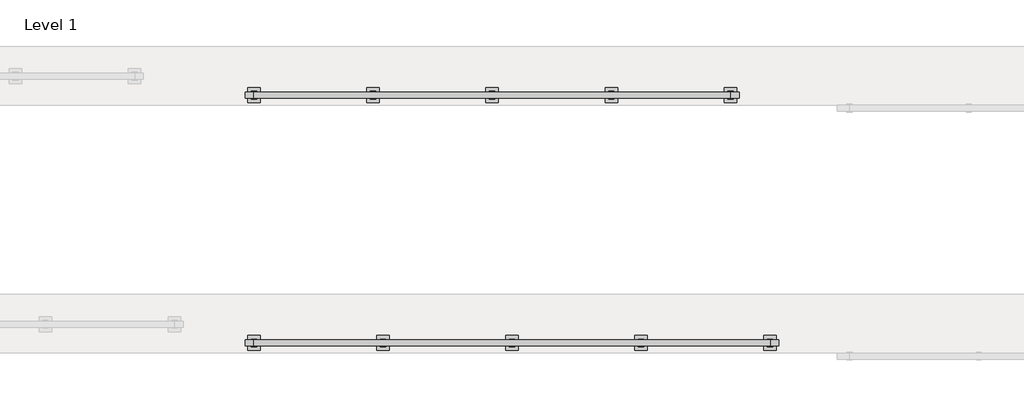
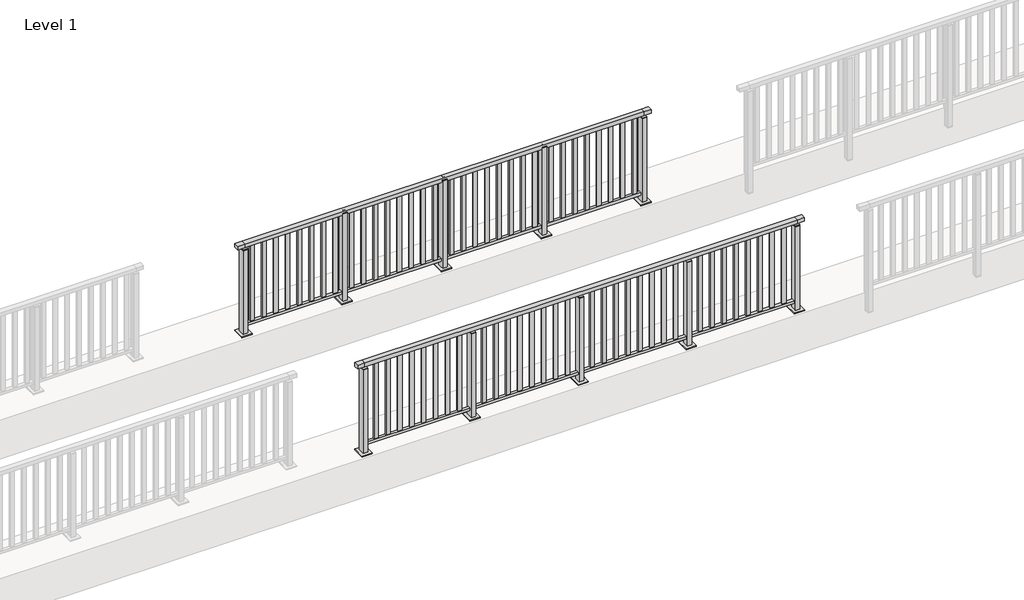
# One storey, part 27 of 38: 2 railings.
"""IFC4 building model written with IfcOpenShell, lengths in millimetres."""

import ifcopenshell
import ifcopenshell.guid

model = None  # the IFC model being written
_history = None  # IfcOwnerHistory: only IFC2X3 demands one
_inside = {}  # id of a spatial element -> (the spatial element, [elements in it])
_under = {}  # id of a project, library or spatial element -> (it, [spatial elements below it])
_declared = {}  # id of a project -> (the project, [libraries it declares])
_typed = {}  # id of a type object -> (the type object, [elements of that type])
_made_of = {}  # id of a material, layer set ... -> (it, [elements and type objects made of it])


def new_model(schema):
    """Start an empty IFC model of exactly this schema.

    Asked for "IFC4X3", IfcOpenShell would pick the latest addendum, in which some entities
    have other attributes; the version numbers below select the first issue.
    IFC2X3 requires an IfcOwnerHistory on every rooted entity: one is made here for all.
    """
    global model, _history
    if schema == "IFC4X3":
        model = ifcopenshell.file(schema_version=(4, 3, 0, 0))
    else:
        model = ifcopenshell.file(schema=schema)
    _inside.clear()
    _under.clear()
    _declared.clear()
    _typed.clear()
    _made_of.clear()
    _history = None
    if model.schema == "IFC2X3":
        org = make("IfcOrganization", Name="unknown")
        user = make(
            "IfcPersonAndOrganization",
            ThePerson=make("IfcPerson", FamilyName="unknown"),
            TheOrganization=org,
        )
        app = make(
            "IfcApplication",
            ApplicationDeveloper=org,
            Version="unknown",
            ApplicationFullName="unknown",
            ApplicationIdentifier="unknown",
        )
        _history = make(
            "IfcOwnerHistory",
            OwningUser=user,
            OwningApplication=app,
            ChangeAction="ADDED",
            CreationDate=0,
        )
    return model


def make(cls, **values):
    """One entity of the class cls with the attributes given. An attribute that is None is left unset."""
    return model.create_entity(
        cls, **{name: value for name, value in values.items() if value is not None}
    )


def rooted(cls, **values):
    """An entity with a GlobalId (a new one), such as an element, a storey or a relation."""
    return make(cls, GlobalId=ifcopenshell.guid.new(), OwnerHistory=_history, **values)


def si_unit(unit_type, name, prefix=None):
    """IfcSIUnit, for example si_unit("LENGTHUNIT", "METRE", prefix="MILLI")."""
    return make("IfcSIUnit", UnitType=unit_type, Prefix=prefix, Name=name)


def assignment(units):
    """IfcUnitAssignment: the units of a project."""
    return None if units is None else make("IfcUnitAssignment", Units=units)


def point(xyz):
    """IfcCartesianPoint."""
    return None if xyz is None else make("IfcCartesianPoint", Coordinates=xyz)


def direction(xyz):
    """IfcDirection."""
    return None if xyz is None else make("IfcDirection", DirectionRatios=xyz)


def frame(location, z_axis=None, x_axis=None):
    """IfcAxis2Placement3D, a coordinate frame: its origin and axes. An axis left out is left unset."""
    return make(
        "IfcAxis2Placement3D",
        Location=point(location),
        Axis=direction(z_axis),
        RefDirection=direction(x_axis),
    )


def origin():
    """The frame at (0, 0, 0) with its axes left unset."""
    return frame((0.0, 0.0, 0.0))


def origin_with_axes():
    """The frame at (0, 0, 0) with the z axis (0, 0, 1) and the x axis (1, 0, 0) written out."""
    return frame((0.0, 0.0, 0.0), z_axis=(0.0, 0.0, 1.0), x_axis=(1.0, 0.0, 0.0))


def place(relative_to, where):
    """IfcLocalPlacement: puts the frame where relative to a parent placement (None: the world)."""
    return make(
        "IfcLocalPlacement", PlacementRelTo=relative_to, RelativePlacement=where
    )


def context(
    kind, dimensions, precision=None, world=None, true_north=None, identifier=None
):
    """IfcGeometricRepresentationContext, for example the 3D "Model" context."""
    return make(
        "IfcGeometricRepresentationContext",
        ContextIdentifier=identifier,
        ContextType=kind,
        CoordinateSpaceDimension=dimensions,
        Precision=precision,
        WorldCoordinateSystem=world,
        TrueNorth=true_north,
    )


def project(units=None, contexts=None):
    """IfcProject with its units and contexts."""
    return rooted(
        "IfcProject",
        Name="project",
        RepresentationContexts=contexts,
        UnitsInContext=assignment(units),
    )


def spatial(cls, under=None, at=None, **own):
    """A site, building, storey or space (cls), placed at a placement, below another one or the project."""
    s = rooted(cls, ObjectPlacement=at, **own)
    if under is not None:
        _under.setdefault(under.id(), (under, []))[1].append(s)
    return s


def polyline(points):
    """IfcPolyline through the points."""
    return make("IfcPolyline", Points=[point(p) for p in points])


def outline(outer, holes=None, kind="AREA"):
    """IfcArbitraryClosedProfileDef: a profile drawn as a closed curve; with holes, ...WithVoids."""
    if holes is None:
        return make("IfcArbitraryClosedProfileDef", ProfileType=kind, OuterCurve=outer)
    return make(
        "IfcArbitraryProfileDefWithVoids",
        ProfileType=kind,
        OuterCurve=outer,
        InnerCurves=holes,
    )


def extrude(swept, where, along, depth):
    """IfcExtrudedAreaSolid: the profile swept, set in the frame where, extruded along a direction by depth."""
    return make(
        "IfcExtrudedAreaSolid",
        SweptArea=swept,
        Position=where,
        ExtrudedDirection=direction(along),
        Depth=depth,
    )


def faces_of(points, faces, orient=None, outer=None):
    """IfcFace entities. A face is a list of loops; a loop is a list of indices into points, from 0.

    orient and outer hold one flag for each loop. By default every Orientation is true, the
    first loop of a face is its IfcFaceOuterBound and the others are IfcFaceBound.
    """
    made = []
    for i, loops in enumerate(faces):
        bounds = []
        for j, loop in enumerate(loops):
            is_outer = j == 0 if outer is None else outer[i][j]
            bounds.append(
                make(
                    "IfcFaceOuterBound" if is_outer else "IfcFaceBound",
                    Bound=make("IfcPolyLoop", Polygon=[points[k] for k in loop]),
                    Orientation=True if orient is None else orient[i][j],
                )
            )
        made.append(make("IfcFace", Bounds=bounds))
    return made


def faceted_brep(points, faces, orient=None, outer=None, voids=None):
    """IfcFacetedBrep: a solid bounded by flat faces; with voids (closed shells), ...WithVoids."""
    shared = [point(p) for p in points]
    hull = make("IfcClosedShell", CfsFaces=faces_of(shared, faces, orient, outer))
    if voids is None:
        return make("IfcFacetedBrep", Outer=hull)
    return make(
        "IfcFacetedBrepWithVoids",
        Outer=hull,
        Voids=[
            make(cls, CfsFaces=faces_of(shared, fs, o, b)) for cls, fs, o, b in voids
        ],
    )


def shape(context_of_items, identifier, shape_type, items):
    """IfcShapeRepresentation: the items that make up one representation, for example the "Body"."""
    return make(
        "IfcShapeRepresentation",
        ContextOfItems=context_of_items,
        RepresentationIdentifier=identifier,
        RepresentationType=shape_type,
        Items=items,
    )


def made_of(thing, what):
    """Note that an element or type object is made of a material, layer set ...; save() writes the relation."""
    if what is not None:
        _made_of.setdefault(what.id(), (what, []))[1].append(thing)
    return thing


def element(
    cls,
    number,
    at=None,
    inside=None,
    cuts=None,
    type_object=None,
    material=None,
    context=None,
    identifier="Body",
    shape_type=None,
    held_by="IfcProductDefinitionShape",
    body=None,
    shapes=None,
    **own,
):
    """One element of the class cls, such as IfcWall. Its Tag is "e" and its number.

    at: its placement. inside: the storey or other place that contains it. cuts: it is an
    opening in that element (IfcRelVoidsElement). A single representation is given by context,
    identifier, shape_type and body (its items); several are given by shapes. held_by: the class
    of the entity that holds the representations. save() writes the other relations.
    """
    e = rooted(cls, Tag="e%d" % number, ObjectPlacement=at, **own)
    if body is not None:
        shapes = [shape(context, identifier, shape_type, body)]
    if shapes is not None:
        e.Representation = make(held_by, Representations=shapes)
    if inside is not None:
        _inside.setdefault(inside.id(), (inside, []))[1].append(e)
    if cuts is not None:
        rooted(
            "IfcRelVoidsElement", RelatingBuildingElement=cuts, RelatedOpeningElement=e
        )
    if type_object is not None:
        _typed.setdefault(type_object.id(), (type_object, []))[1].append(e)
    return made_of(e, material)


def aggregate(whole, parts):
    """IfcRelAggregates: a whole, such as a stair, and the parts it consists of."""
    return rooted("IfcRelAggregates", RelatingObject=whole, RelatedObjects=parts)


def save(model, path):
    """Write the relations noted so far, then the file.

    IfcRelAggregates (storeys below a building ...), IfcRelContainedInSpatialStructure (elements
    in a storey), IfcRelDefinesByType, IfcRelAssociatesMaterial and IfcRelDeclares: one each for
    every whole, place, type object, material and project.
    """
    for whole, parts in _under.values():
        aggregate(whole, parts)
    for where, things in _inside.values():
        rooted(
            "IfcRelContainedInSpatialStructure",
            RelatedElements=things,
            RelatingStructure=where,
        )
    for kind, things in _typed.values():
        rooted("IfcRelDefinesByType", RelatedObjects=things, RelatingType=kind)
    for what, things in _made_of.values():
        rooted("IfcRelAssociatesMaterial", RelatedObjects=things, RelatingMaterial=what)
    for by, libraries in _declared.values():
        rooted("IfcRelDeclares", RelatingContext=by, RelatedDefinitions=libraries)
    model.write(path)


model = new_model("IFC4")

# Units and contexts
model_context = context("Model", 3, world=origin())
ifc_project = project(units=[si_unit("LENGTHUNIT", "METRE", prefix="MILLI")], contexts=[model_context])

# Site, building, storey
site = spatial("IfcSite", under=ifc_project)
building = spatial("IfcBuilding", under=site)
storey = spatial("IfcBuildingStorey", under=building, Name="Level 1", Elevation=0.0)

# Railings
placement = place(None, origin())
element("IfcRailing", 1, at=placement, inside=storey, context=model_context, shape_type="SolidModel", body=[
    faceted_brep([(6000.0, 45030.1846828, 1102.5), (6000.0, 45030.1846828, 1150.0), (11200.0, 45030.1846828, 1150.0), (11200.0, 45030.1846828, 1102.5), (6000.0, 44970.1846828, 1102.5), (11200.0, 44970.1846828, 1102.5), (6000.0, 44970.1846828, 1150.0), (11200.0, 44970.1846828, 1150.0), (5912.5, 45030.1846828, 1150.0), (5912.5, 45030.1846828, 1102.5), (5912.5, 44970.1846828, 1102.5), (5912.5, 44970.1846828, 1150.0), (11287.5, 45030.1846828, 1150.0), (11287.5, 44970.1846828, 1150.0), (11287.5, 44970.1846828, 1102.5), (11287.5, 45030.1846828, 1102.5)], [[[0, 1, 2, 3]], [[4, 0, 3, 5]], [[6, 4, 5, 7]], [[1, 6, 7, 2]], [[8, 9, 10, 11]], [[9, 8, 1, 0]], [[10, 9, 0, 4]], [[11, 10, 4, 6]], [[8, 11, 6, 1]], [[12, 13, 14, 15]], [[3, 2, 12, 15]], [[5, 3, 15, 14]], [[7, 5, 14, 13]], [[2, 7, 13, 12]]]),
    extrude(outline(polyline([(6000.0, 44982.1846828), (6000.0, 45018.1846828), (11200.0, 45018.1846828), (11200.0, 44982.1846828), (6000.0, 44982.1846828)])), frame((0.0, 0.0, 93.0), z_axis=(0.0, 0.0, 1.0), x_axis=(1.0, 0.0, 0.0)), (0.0, 0.0, 1.0), 32.0),
    extrude(outline(polyline([(11078.5106952, 45008.6846828), (11078.5106952, 44991.6846828), (11029.5106952, 44991.6846828), (11029.5106952, 45008.6846828), (11078.5106952, 45008.6846828)])), frame((0.0, 0.0, 125.0), z_axis=(0.0, 0.0, 1.0), x_axis=(1.0, 0.0, 0.0)), (0.0, 0.0, 1.0), 980.0),
    extrude(outline(polyline([(10934.5076394, 45008.6846828), (10934.5076394, 44991.6846828), (10885.5076394, 44991.6846828), (10885.5076394, 45008.6846828), (10934.5076394, 45008.6846828)])), frame((0.0, 0.0, 125.0), z_axis=(0.0, 0.0, 1.0), x_axis=(1.0, 0.0, 0.0)), (0.0, 0.0, 1.0), 980.0),
    extrude(outline(polyline([(10790.5045837, 45008.6846828), (10790.5045837, 44991.6846828), (10741.5045837, 44991.6846828), (10741.5045837, 45008.6846828), (10790.5045837, 45008.6846828)])), frame((0.0, 0.0, 125.0), z_axis=(0.0, 0.0, 1.0), x_axis=(1.0, 0.0, 0.0)), (0.0, 0.0, 1.0), 980.0),
    extrude(outline(polyline([(10646.5015279, 45008.6846828), (10646.5015279, 44991.6846828), (10597.5015279, 44991.6846828), (10597.5015279, 45008.6846828), (10646.5015279, 45008.6846828)])), frame((0.0, 0.0, 125.0), z_axis=(0.0, 0.0, 1.0), x_axis=(1.0, 0.0, 0.0)), (0.0, 0.0, 1.0), 980.0),
    extrude(outline(polyline([(10502.4984721, 45008.6846828), (10502.4984721, 44991.6846828), (10453.4984721, 44991.6846828), (10453.4984721, 45008.6846828), (10502.4984721, 45008.6846828)])), frame((0.0, 0.0, 125.0), z_axis=(0.0, 0.0, 1.0), x_axis=(1.0, 0.0, 0.0)), (0.0, 0.0, 1.0), 980.0),
    extrude(outline(polyline([(10358.4954163, 45008.6846828), (10358.4954163, 44991.6846828), (10309.4954163, 44991.6846828), (10309.4954163, 45008.6846828), (10358.4954163, 45008.6846828)])), frame((0.0, 0.0, 125.0), z_axis=(0.0, 0.0, 1.0), x_axis=(1.0, 0.0, 0.0)), (0.0, 0.0, 1.0), 980.0),
    extrude(outline(polyline([(10214.4923606, 45008.6846828), (10214.4923606, 44991.6846828), (10165.4923606, 44991.6846828), (10165.4923606, 45008.6846828), (10214.4923606, 45008.6846828)])), frame((0.0, 0.0, 125.0), z_axis=(0.0, 0.0, 1.0), x_axis=(1.0, 0.0, 0.0)), (0.0, 0.0, 1.0), 980.0),
    extrude(outline(polyline([(10070.4893048, 45008.6846828), (10070.4893048, 44991.6846828), (10021.4893048, 44991.6846828), (10021.4893048, 45008.6846828), (10070.4893048, 45008.6846828)])), frame((0.0, 0.0, 125.0), z_axis=(0.0, 0.0, 1.0), x_axis=(1.0, 0.0, 0.0)), (0.0, 0.0, 1.0), 980.0),
    extrude(outline(polyline([(9910.0, 44990.1846828), (9890.0, 44990.1846828), (9890.0, 45010.1846828), (9910.0, 45010.1846828), (9910.0, 44990.1846828)])), frame((0.0, 0.0, 1085.0), z_axis=(0.0, 0.0, 1.0), x_axis=(1.0, 0.0, 0.0)), (0.0, 0.0, 1.0), 20.0),
    extrude(outline(polyline([(9927.0, 44961.1846828), (9873.0, 44961.1846828), (9873.0, 45039.1846828), (9927.0, 45039.1846828), (9927.0, 44961.1846828)])), frame((0.0, 0.0, 1077.0), z_axis=(0.0, 0.0, 1.0), x_axis=(1.0, 0.0, 0.0)), (0.0, 0.0, 1.0), 8.0),
    extrude(outline(polyline([(9962.5, 44925.1846828), (9837.5, 44925.1846828), (9837.5, 45075.1846828), (9962.5, 45075.1846828), (9962.5, 44925.1846828)])), origin_with_axes(), (0.0, 0.0, 1.0), 12.0),
    extrude(outline(polyline([(9927.0, 44961.1846828), (9873.0, 44961.1846828), (9873.0, 45039.1846828), (9927.0, 45039.1846828), (9927.0, 44961.1846828)])), frame((0.0, 0.0, 12.0), z_axis=(0.0, 0.0, 1.0), x_axis=(1.0, 0.0, 0.0)), (0.0, 0.0, 1.0), 1065.0),
    extrude(outline(polyline([(9778.5106952, 45008.6846828), (9778.5106952, 44991.6846828), (9729.5106952, 44991.6846828), (9729.5106952, 45008.6846828), (9778.5106952, 45008.6846828)])), frame((0.0, 0.0, 125.0), z_axis=(0.0, 0.0, 1.0), x_axis=(1.0, 0.0, 0.0)), (0.0, 0.0, 1.0), 980.0),
    extrude(outline(polyline([(9634.5076394, 45008.6846828), (9634.5076394, 44991.6846828), (9585.5076394, 44991.6846828), (9585.5076394, 45008.6846828), (9634.5076394, 45008.6846828)])), frame((0.0, 0.0, 125.0), z_axis=(0.0, 0.0, 1.0), x_axis=(1.0, 0.0, 0.0)), (0.0, 0.0, 1.0), 980.0),
    extrude(outline(polyline([(9490.5045837, 45008.6846828), (9490.5045837, 44991.6846828), (9441.5045837, 44991.6846828), (9441.5045837, 45008.6846828), (9490.5045837, 45008.6846828)])), frame((0.0, 0.0, 125.0), z_axis=(0.0, 0.0, 1.0), x_axis=(1.0, 0.0, 0.0)), (0.0, 0.0, 1.0), 980.0),
    extrude(outline(polyline([(9346.5015279, 45008.6846828), (9346.5015279, 44991.6846828), (9297.5015279, 44991.6846828), (9297.5015279, 45008.6846828), (9346.5015279, 45008.6846828)])), frame((0.0, 0.0, 125.0), z_axis=(0.0, 0.0, 1.0), x_axis=(1.0, 0.0, 0.0)), (0.0, 0.0, 1.0), 980.0),
    extrude(outline(polyline([(9202.4984721, 45008.6846828), (9202.4984721, 44991.6846828), (9153.4984721, 44991.6846828), (9153.4984721, 45008.6846828), (9202.4984721, 45008.6846828)])), frame((0.0, 0.0, 125.0), z_axis=(0.0, 0.0, 1.0), x_axis=(1.0, 0.0, 0.0)), (0.0, 0.0, 1.0), 980.0),
    extrude(outline(polyline([(9058.4954163, 45008.6846828), (9058.4954163, 44991.6846828), (9009.4954163, 44991.6846828), (9009.4954163, 45008.6846828), (9058.4954163, 45008.6846828)])), frame((0.0, 0.0, 125.0), z_axis=(0.0, 0.0, 1.0), x_axis=(1.0, 0.0, 0.0)), (0.0, 0.0, 1.0), 980.0),
    extrude(outline(polyline([(8914.4923606, 45008.6846828), (8914.4923606, 44991.6846828), (8865.4923606, 44991.6846828), (8865.4923606, 45008.6846828), (8914.4923606, 45008.6846828)])), frame((0.0, 0.0, 125.0), z_axis=(0.0, 0.0, 1.0), x_axis=(1.0, 0.0, 0.0)), (0.0, 0.0, 1.0), 980.0),
    extrude(outline(polyline([(8770.4893048, 45008.6846828), (8770.4893048, 44991.6846828), (8721.4893048, 44991.6846828), (8721.4893048, 45008.6846828), (8770.4893048, 45008.6846828)])), frame((0.0, 0.0, 125.0), z_axis=(0.0, 0.0, 1.0), x_axis=(1.0, 0.0, 0.0)), (0.0, 0.0, 1.0), 980.0),
    extrude(outline(polyline([(8610.0, 44990.1846828), (8590.0, 44990.1846828), (8590.0, 45010.1846828), (8610.0, 45010.1846828), (8610.0, 44990.1846828)])), frame((0.0, 0.0, 1085.0), z_axis=(0.0, 0.0, 1.0), x_axis=(1.0, 0.0, 0.0)), (0.0, 0.0, 1.0), 20.0),
    extrude(outline(polyline([(8627.0, 44961.1846828), (8573.0, 44961.1846828), (8573.0, 45039.1846828), (8627.0, 45039.1846828), (8627.0, 44961.1846828)])), frame((0.0, 0.0, 1077.0), z_axis=(0.0, 0.0, 1.0), x_axis=(1.0, 0.0, 0.0)), (0.0, 0.0, 1.0), 8.0),
    extrude(outline(polyline([(8662.5, 44925.1846828), (8537.5, 44925.1846828), (8537.5, 45075.1846828), (8662.5, 45075.1846828), (8662.5, 44925.1846828)])), origin_with_axes(), (0.0, 0.0, 1.0), 12.0),
    extrude(outline(polyline([(8627.0, 44961.1846828), (8573.0, 44961.1846828), (8573.0, 45039.1846828), (8627.0, 45039.1846828), (8627.0, 44961.1846828)])), frame((0.0, 0.0, 12.0), z_axis=(0.0, 0.0, 1.0), x_axis=(1.0, 0.0, 0.0)), (0.0, 0.0, 1.0), 1065.0),
    extrude(outline(polyline([(8478.5106952, 45008.6846828), (8478.5106952, 44991.6846828), (8429.5106952, 44991.6846828), (8429.5106952, 45008.6846828), (8478.5106952, 45008.6846828)])), frame((0.0, 0.0, 125.0), z_axis=(0.0, 0.0, 1.0), x_axis=(1.0, 0.0, 0.0)), (0.0, 0.0, 1.0), 980.0),
    extrude(outline(polyline([(8334.5076394, 45008.6846828), (8334.5076394, 44991.6846828), (8285.5076394, 44991.6846828), (8285.5076394, 45008.6846828), (8334.5076394, 45008.6846828)])), frame((0.0, 0.0, 125.0), z_axis=(0.0, 0.0, 1.0), x_axis=(1.0, 0.0, 0.0)), (0.0, 0.0, 1.0), 980.0),
    extrude(outline(polyline([(8190.5045837, 45008.6846828), (8190.5045837, 44991.6846828), (8141.5045837, 44991.6846828), (8141.5045837, 45008.6846828), (8190.5045837, 45008.6846828)])), frame((0.0, 0.0, 125.0), z_axis=(0.0, 0.0, 1.0), x_axis=(1.0, 0.0, 0.0)), (0.0, 0.0, 1.0), 980.0),
    extrude(outline(polyline([(8046.5015279, 45008.6846828), (8046.5015279, 44991.6846828), (7997.5015279, 44991.6846828), (7997.5015279, 45008.6846828), (8046.5015279, 45008.6846828)])), frame((0.0, 0.0, 125.0), z_axis=(0.0, 0.0, 1.0), x_axis=(1.0, 0.0, 0.0)), (0.0, 0.0, 1.0), 980.0),
    extrude(outline(polyline([(7902.4984721, 45008.6846828), (7902.4984721, 44991.6846828), (7853.4984721, 44991.6846828), (7853.4984721, 45008.6846828), (7902.4984721, 45008.6846828)])), frame((0.0, 0.0, 125.0), z_axis=(0.0, 0.0, 1.0), x_axis=(1.0, 0.0, 0.0)), (0.0, 0.0, 1.0), 980.0),
    extrude(outline(polyline([(7758.4954163, 45008.6846828), (7758.4954163, 44991.6846828), (7709.4954163, 44991.6846828), (7709.4954163, 45008.6846828), (7758.4954163, 45008.6846828)])), frame((0.0, 0.0, 125.0), z_axis=(0.0, 0.0, 1.0), x_axis=(1.0, 0.0, 0.0)), (0.0, 0.0, 1.0), 980.0),
    extrude(outline(polyline([(7614.4923606, 45008.6846828), (7614.4923606, 44991.6846828), (7565.4923606, 44991.6846828), (7565.4923606, 45008.6846828), (7614.4923606, 45008.6846828)])), frame((0.0, 0.0, 125.0), z_axis=(0.0, 0.0, 1.0), x_axis=(1.0, 0.0, 0.0)), (0.0, 0.0, 1.0), 980.0),
    extrude(outline(polyline([(7470.4893048, 45008.6846828), (7470.4893048, 44991.6846828), (7421.4893048, 44991.6846828), (7421.4893048, 45008.6846828), (7470.4893048, 45008.6846828)])), frame((0.0, 0.0, 125.0), z_axis=(0.0, 0.0, 1.0), x_axis=(1.0, 0.0, 0.0)), (0.0, 0.0, 1.0), 980.0),
    extrude(outline(polyline([(7310.0, 44990.1846828), (7290.0, 44990.1846828), (7290.0, 45010.1846828), (7310.0, 45010.1846828), (7310.0, 44990.1846828)])), frame((0.0, 0.0, 1085.0), z_axis=(0.0, 0.0, 1.0), x_axis=(1.0, 0.0, 0.0)), (0.0, 0.0, 1.0), 20.0),
    extrude(outline(polyline([(7327.0, 44961.1846828), (7273.0, 44961.1846828), (7273.0, 45039.1846828), (7327.0, 45039.1846828), (7327.0, 44961.1846828)])), frame((0.0, 0.0, 1077.0), z_axis=(0.0, 0.0, 1.0), x_axis=(1.0, 0.0, 0.0)), (0.0, 0.0, 1.0), 8.0),
    extrude(outline(polyline([(7362.5, 44925.1846828), (7237.5, 44925.1846828), (7237.5, 45075.1846828), (7362.5, 45075.1846828), (7362.5, 44925.1846828)])), origin_with_axes(), (0.0, 0.0, 1.0), 12.0),
    extrude(outline(polyline([(7327.0, 44961.1846828), (7273.0, 44961.1846828), (7273.0, 45039.1846828), (7327.0, 45039.1846828), (7327.0, 44961.1846828)])), frame((0.0, 0.0, 12.0), z_axis=(0.0, 0.0, 1.0), x_axis=(1.0, 0.0, 0.0)), (0.0, 0.0, 1.0), 1065.0),
    extrude(outline(polyline([(7178.5106952, 45008.6846828), (7178.5106952, 44991.6846828), (7129.5106952, 44991.6846828), (7129.5106952, 45008.6846828), (7178.5106952, 45008.6846828)])), frame((0.0, 0.0, 125.0), z_axis=(0.0, 0.0, 1.0), x_axis=(1.0, 0.0, 0.0)), (0.0, 0.0, 1.0), 980.0),
    extrude(outline(polyline([(7034.5076394, 45008.6846828), (7034.5076394, 44991.6846828), (6985.5076394, 44991.6846828), (6985.5076394, 45008.6846828), (7034.5076394, 45008.6846828)])), frame((0.0, 0.0, 125.0), z_axis=(0.0, 0.0, 1.0), x_axis=(1.0, 0.0, 0.0)), (0.0, 0.0, 1.0), 980.0),
    extrude(outline(polyline([(6890.5045837, 45008.6846828), (6890.5045837, 44991.6846828), (6841.5045837, 44991.6846828), (6841.5045837, 45008.6846828), (6890.5045837, 45008.6846828)])), frame((0.0, 0.0, 125.0), z_axis=(0.0, 0.0, 1.0), x_axis=(1.0, 0.0, 0.0)), (0.0, 0.0, 1.0), 980.0),
    extrude(outline(polyline([(6746.5015279, 45008.6846828), (6746.5015279, 44991.6846828), (6697.5015279, 44991.6846828), (6697.5015279, 45008.6846828), (6746.5015279, 45008.6846828)])), frame((0.0, 0.0, 125.0), z_axis=(0.0, 0.0, 1.0), x_axis=(1.0, 0.0, 0.0)), (0.0, 0.0, 1.0), 980.0),
    extrude(outline(polyline([(6602.4984721, 45008.6846828), (6602.4984721, 44991.6846828), (6553.4984721, 44991.6846828), (6553.4984721, 45008.6846828), (6602.4984721, 45008.6846828)])), frame((0.0, 0.0, 125.0), z_axis=(0.0, 0.0, 1.0), x_axis=(1.0, 0.0, 0.0)), (0.0, 0.0, 1.0), 980.0),
    extrude(outline(polyline([(6458.4954163, 45008.6846828), (6458.4954163, 44991.6846828), (6409.4954163, 44991.6846828), (6409.4954163, 45008.6846828), (6458.4954163, 45008.6846828)])), frame((0.0, 0.0, 125.0), z_axis=(0.0, 0.0, 1.0), x_axis=(1.0, 0.0, 0.0)), (0.0, 0.0, 1.0), 980.0),
    extrude(outline(polyline([(6314.4923606, 45008.6846828), (6314.4923606, 44991.6846828), (6265.4923606, 44991.6846828), (6265.4923606, 45008.6846828), (6314.4923606, 45008.6846828)])), frame((0.0, 0.0, 125.0), z_axis=(0.0, 0.0, 1.0), x_axis=(1.0, 0.0, 0.0)), (0.0, 0.0, 1.0), 980.0),
    extrude(outline(polyline([(6170.4893048, 45008.6846828), (6170.4893048, 44991.6846828), (6121.4893048, 44991.6846828), (6121.4893048, 45008.6846828), (6170.4893048, 45008.6846828)])), frame((0.0, 0.0, 125.0), z_axis=(0.0, 0.0, 1.0), x_axis=(1.0, 0.0, 0.0)), (0.0, 0.0, 1.0), 980.0),
    extrude(outline(polyline([(11210.0, 44990.1846828), (11190.0, 44990.1846828), (11190.0, 45010.1846828), (11210.0, 45010.1846828), (11210.0, 44990.1846828)])), frame((0.0, 0.0, 1085.0), z_axis=(0.0, 0.0, 1.0), x_axis=(1.0, 0.0, 0.0)), (0.0, 0.0, 1.0), 20.0),
    extrude(outline(polyline([(11227.0, 44961.1846828), (11173.0, 44961.1846828), (11173.0, 45039.1846828), (11227.0, 45039.1846828), (11227.0, 44961.1846828)])), frame((0.0, 0.0, 1077.0), z_axis=(0.0, 0.0, 1.0), x_axis=(1.0, 0.0, 0.0)), (0.0, 0.0, 1.0), 8.0),
    extrude(outline(polyline([(11262.5, 44925.1846828), (11137.5, 44925.1846828), (11137.5, 45075.1846828), (11262.5, 45075.1846828), (11262.5, 44925.1846828)])), origin_with_axes(), (0.0, 0.0, 1.0), 12.0),
    extrude(outline(polyline([(11227.0, 44961.1846828), (11173.0, 44961.1846828), (11173.0, 45039.1846828), (11227.0, 45039.1846828), (11227.0, 44961.1846828)])), frame((0.0, 0.0, 12.0), z_axis=(0.0, 0.0, 1.0), x_axis=(1.0, 0.0, 0.0)), (0.0, 0.0, 1.0), 1065.0),
    extrude(outline(polyline([(6010.0, 44990.1846828), (5990.0, 44990.1846828), (5990.0, 45010.1846828), (6010.0, 45010.1846828), (6010.0, 44990.1846828)])), frame((0.0, 0.0, 1085.0), z_axis=(0.0, 0.0, 1.0), x_axis=(1.0, 0.0, 0.0)), (0.0, 0.0, 1.0), 20.0),
    extrude(outline(polyline([(6027.0, 44961.1846828), (5973.0, 44961.1846828), (5973.0, 45039.1846828), (6027.0, 45039.1846828), (6027.0, 44961.1846828)])), frame((0.0, 0.0, 1077.0), z_axis=(0.0, 0.0, 1.0), x_axis=(1.0, 0.0, 0.0)), (0.0, 0.0, 1.0), 8.0),
    extrude(outline(polyline([(6062.5, 44925.1846828), (5937.5, 44925.1846828), (5937.5, 45075.1846828), (6062.5, 45075.1846828), (6062.5, 44925.1846828)])), origin_with_axes(), (0.0, 0.0, 1.0), 12.0),
    extrude(outline(polyline([(6027.0, 44961.1846828), (5973.0, 44961.1846828), (5973.0, 45039.1846828), (6027.0, 45039.1846828), (6027.0, 44961.1846828)])), frame((0.0, 0.0, 12.0), z_axis=(0.0, 0.0, 1.0), x_axis=(1.0, 0.0, 0.0)), (0.0, 0.0, 1.0), 1065.0),
])
element("IfcRailing", 2, at=placement, inside=storey, context=model_context, shape_type="SolidModel", body=[
    faceted_brep([(6000.0, 47530.1846828, 1102.5), (6000.0, 47530.1846828, 1150.0), (10800.0, 47530.1846828, 1150.0), (10800.0, 47530.1846828, 1102.5), (6000.0, 47470.1846828, 1102.5), (10800.0, 47470.1846828, 1102.5), (6000.0, 47470.1846828, 1150.0), (10800.0, 47470.1846828, 1150.0), (5912.5, 47530.1846828, 1150.0), (5912.5, 47530.1846828, 1102.5), (5912.5, 47470.1846828, 1102.5), (5912.5, 47470.1846828, 1150.0), (10887.5, 47530.1846828, 1150.0), (10887.5, 47470.1846828, 1150.0), (10887.5, 47470.1846828, 1102.5), (10887.5, 47530.1846828, 1102.5)], [[[0, 1, 2, 3]], [[4, 0, 3, 5]], [[6, 4, 5, 7]], [[1, 6, 7, 2]], [[8, 9, 10, 11]], [[9, 8, 1, 0]], [[10, 9, 0, 4]], [[11, 10, 4, 6]], [[8, 11, 6, 1]], [[12, 13, 14, 15]], [[3, 2, 12, 15]], [[5, 3, 15, 14]], [[7, 5, 14, 13]], [[2, 7, 13, 12]]]),
    extrude(outline(polyline([(6000.0, 47482.1846828), (6000.0, 47518.1846828), (10800.0, 47518.1846828), (10800.0, 47482.1846828), (6000.0, 47482.1846828)])), frame((0.0, 0.0, 93.0), z_axis=(0.0, 0.0, 1.0), x_axis=(1.0, 0.0, 0.0)), (0.0, 0.0, 1.0), 32.0),
    extrude(outline(polyline([(10725.7345679, 47508.6846828), (10725.7345679, 47491.6846828), (10676.7345679, 47491.6846828), (10676.7345679, 47508.6846828), (10725.7345679, 47508.6846828)])), frame((0.0, 0.0, 125.0), z_axis=(0.0, 0.0, 1.0), x_axis=(1.0, 0.0, 0.0)), (0.0, 0.0, 1.0), 980.0),
    extrude(outline(polyline([(10582.5246914, 47508.6846828), (10582.5246914, 47491.6846828), (10533.5246914, 47491.6846828), (10533.5246914, 47508.6846828), (10582.5246914, 47508.6846828)])), frame((0.0, 0.0, 125.0), z_axis=(0.0, 0.0, 1.0), x_axis=(1.0, 0.0, 0.0)), (0.0, 0.0, 1.0), 980.0),
    extrude(outline(polyline([(10439.3148148, 47508.6846828), (10439.3148148, 47491.6846828), (10390.3148148, 47491.6846828), (10390.3148148, 47508.6846828), (10439.3148148, 47508.6846828)])), frame((0.0, 0.0, 125.0), z_axis=(0.0, 0.0, 1.0), x_axis=(1.0, 0.0, 0.0)), (0.0, 0.0, 1.0), 980.0),
    extrude(outline(polyline([(10296.1049383, 47508.6846828), (10296.1049383, 47491.6846828), (10247.1049383, 47491.6846828), (10247.1049383, 47508.6846828), (10296.1049383, 47508.6846828)])), frame((0.0, 0.0, 125.0), z_axis=(0.0, 0.0, 1.0), x_axis=(1.0, 0.0, 0.0)), (0.0, 0.0, 1.0), 980.0),
    extrude(outline(polyline([(10152.8950617, 47508.6846828), (10152.8950617, 47491.6846828), (10103.8950617, 47491.6846828), (10103.8950617, 47508.6846828), (10152.8950617, 47508.6846828)])), frame((0.0, 0.0, 125.0), z_axis=(0.0, 0.0, 1.0), x_axis=(1.0, 0.0, 0.0)), (0.0, 0.0, 1.0), 980.0),
    extrude(outline(polyline([(10009.6851852, 47508.6846828), (10009.6851852, 47491.6846828), (9960.6851852, 47491.6846828), (9960.6851852, 47508.6846828), (10009.6851852, 47508.6846828)])), frame((0.0, 0.0, 125.0), z_axis=(0.0, 0.0, 1.0), x_axis=(1.0, 0.0, 0.0)), (0.0, 0.0, 1.0), 980.0),
    extrude(outline(polyline([(9866.4753086, 47508.6846828), (9866.4753086, 47491.6846828), (9817.4753086, 47491.6846828), (9817.4753086, 47508.6846828), (9866.4753086, 47508.6846828)])), frame((0.0, 0.0, 125.0), z_axis=(0.0, 0.0, 1.0), x_axis=(1.0, 0.0, 0.0)), (0.0, 0.0, 1.0), 980.0),
    extrude(outline(polyline([(9723.2654321, 47508.6846828), (9723.2654321, 47491.6846828), (9674.2654321, 47491.6846828), (9674.2654321, 47508.6846828), (9723.2654321, 47508.6846828)])), frame((0.0, 0.0, 125.0), z_axis=(0.0, 0.0, 1.0), x_axis=(1.0, 0.0, 0.0)), (0.0, 0.0, 1.0), 980.0),
    extrude(outline(polyline([(9610.0, 47490.1846828), (9590.0, 47490.1846828), (9590.0, 47510.1846828), (9610.0, 47510.1846828), (9610.0, 47490.1846828)])), frame((0.0, 0.0, 1130.0), z_axis=(0.0, 0.0, 1.0), x_axis=(1.0, 0.0, 0.0)), (0.0, 0.0, 1.0), 20.0),
    extrude(outline(polyline([(9627.0, 47461.1846828), (9573.0, 47461.1846828), (9573.0, 47539.1846828), (9627.0, 47539.1846828), (9627.0, 47461.1846828)])), frame((0.0, 0.0, 1122.0), z_axis=(0.0, 0.0, 1.0), x_axis=(1.0, 0.0, 0.0)), (0.0, 0.0, 1.0), 8.0),
    extrude(outline(polyline([(9662.5, 47425.1846828), (9537.5, 47425.1846828), (9537.5, 47575.1846828), (9662.5, 47575.1846828), (9662.5, 47425.1846828)])), origin_with_axes(), (0.0, 0.0, 1.0), 12.0),
    extrude(outline(polyline([(9627.0, 47461.1846828), (9573.0, 47461.1846828), (9573.0, 47539.1846828), (9627.0, 47539.1846828), (9627.0, 47461.1846828)])), frame((0.0, 0.0, 12.0), z_axis=(0.0, 0.0, 1.0), x_axis=(1.0, 0.0, 0.0)), (0.0, 0.0, 1.0), 1110.0),
    extrude(outline(polyline([(9525.7345679, 47508.6846828), (9525.7345679, 47491.6846828), (9476.7345679, 47491.6846828), (9476.7345679, 47508.6846828), (9525.7345679, 47508.6846828)])), frame((0.0, 0.0, 125.0), z_axis=(0.0, 0.0, 1.0), x_axis=(1.0, 0.0, 0.0)), (0.0, 0.0, 1.0), 980.0),
    extrude(outline(polyline([(9382.5246914, 47508.6846828), (9382.5246914, 47491.6846828), (9333.5246914, 47491.6846828), (9333.5246914, 47508.6846828), (9382.5246914, 47508.6846828)])), frame((0.0, 0.0, 125.0), z_axis=(0.0, 0.0, 1.0), x_axis=(1.0, 0.0, 0.0)), (0.0, 0.0, 1.0), 980.0),
    extrude(outline(polyline([(9239.3148148, 47508.6846828), (9239.3148148, 47491.6846828), (9190.3148148, 47491.6846828), (9190.3148148, 47508.6846828), (9239.3148148, 47508.6846828)])), frame((0.0, 0.0, 125.0), z_axis=(0.0, 0.0, 1.0), x_axis=(1.0, 0.0, 0.0)), (0.0, 0.0, 1.0), 980.0),
    extrude(outline(polyline([(9096.1049383, 47508.6846828), (9096.1049383, 47491.6846828), (9047.1049383, 47491.6846828), (9047.1049383, 47508.6846828), (9096.1049383, 47508.6846828)])), frame((0.0, 0.0, 125.0), z_axis=(0.0, 0.0, 1.0), x_axis=(1.0, 0.0, 0.0)), (0.0, 0.0, 1.0), 980.0),
    extrude(outline(polyline([(8952.8950617, 47508.6846828), (8952.8950617, 47491.6846828), (8903.8950617, 47491.6846828), (8903.8950617, 47508.6846828), (8952.8950617, 47508.6846828)])), frame((0.0, 0.0, 125.0), z_axis=(0.0, 0.0, 1.0), x_axis=(1.0, 0.0, 0.0)), (0.0, 0.0, 1.0), 980.0),
    extrude(outline(polyline([(8809.6851852, 47508.6846828), (8809.6851852, 47491.6846828), (8760.6851852, 47491.6846828), (8760.6851852, 47508.6846828), (8809.6851852, 47508.6846828)])), frame((0.0, 0.0, 125.0), z_axis=(0.0, 0.0, 1.0), x_axis=(1.0, 0.0, 0.0)), (0.0, 0.0, 1.0), 980.0),
    extrude(outline(polyline([(8666.4753086, 47508.6846828), (8666.4753086, 47491.6846828), (8617.4753086, 47491.6846828), (8617.4753086, 47508.6846828), (8666.4753086, 47508.6846828)])), frame((0.0, 0.0, 125.0), z_axis=(0.0, 0.0, 1.0), x_axis=(1.0, 0.0, 0.0)), (0.0, 0.0, 1.0), 980.0),
    extrude(outline(polyline([(8523.2654321, 47508.6846828), (8523.2654321, 47491.6846828), (8474.2654321, 47491.6846828), (8474.2654321, 47508.6846828), (8523.2654321, 47508.6846828)])), frame((0.0, 0.0, 125.0), z_axis=(0.0, 0.0, 1.0), x_axis=(1.0, 0.0, 0.0)), (0.0, 0.0, 1.0), 980.0),
    extrude(outline(polyline([(8410.0, 47490.1846828), (8390.0, 47490.1846828), (8390.0, 47510.1846828), (8410.0, 47510.1846828), (8410.0, 47490.1846828)])), frame((0.0, 0.0, 1130.0), z_axis=(0.0, 0.0, 1.0), x_axis=(1.0, 0.0, 0.0)), (0.0, 0.0, 1.0), 20.0),
    extrude(outline(polyline([(8427.0, 47461.1846828), (8373.0, 47461.1846828), (8373.0, 47539.1846828), (8427.0, 47539.1846828), (8427.0, 47461.1846828)])), frame((0.0, 0.0, 1122.0), z_axis=(0.0, 0.0, 1.0), x_axis=(1.0, 0.0, 0.0)), (0.0, 0.0, 1.0), 8.0),
    extrude(outline(polyline([(8462.5, 47425.1846828), (8337.5, 47425.1846828), (8337.5, 47575.1846828), (8462.5, 47575.1846828), (8462.5, 47425.1846828)])), origin_with_axes(), (0.0, 0.0, 1.0), 12.0),
    extrude(outline(polyline([(8427.0, 47461.1846828), (8373.0, 47461.1846828), (8373.0, 47539.1846828), (8427.0, 47539.1846828), (8427.0, 47461.1846828)])), frame((0.0, 0.0, 12.0), z_axis=(0.0, 0.0, 1.0), x_axis=(1.0, 0.0, 0.0)), (0.0, 0.0, 1.0), 1110.0),
    extrude(outline(polyline([(8325.7345679, 47508.6846828), (8325.7345679, 47491.6846828), (8276.7345679, 47491.6846828), (8276.7345679, 47508.6846828), (8325.7345679, 47508.6846828)])), frame((0.0, 0.0, 125.0), z_axis=(0.0, 0.0, 1.0), x_axis=(1.0, 0.0, 0.0)), (0.0, 0.0, 1.0), 980.0),
    extrude(outline(polyline([(8182.5246914, 47508.6846828), (8182.5246914, 47491.6846828), (8133.5246914, 47491.6846828), (8133.5246914, 47508.6846828), (8182.5246914, 47508.6846828)])), frame((0.0, 0.0, 125.0), z_axis=(0.0, 0.0, 1.0), x_axis=(1.0, 0.0, 0.0)), (0.0, 0.0, 1.0), 980.0),
    extrude(outline(polyline([(8039.3148148, 47508.6846828), (8039.3148148, 47491.6846828), (7990.3148148, 47491.6846828), (7990.3148148, 47508.6846828), (8039.3148148, 47508.6846828)])), frame((0.0, 0.0, 125.0), z_axis=(0.0, 0.0, 1.0), x_axis=(1.0, 0.0, 0.0)), (0.0, 0.0, 1.0), 980.0),
    extrude(outline(polyline([(7896.1049383, 47508.6846828), (7896.1049383, 47491.6846828), (7847.1049383, 47491.6846828), (7847.1049383, 47508.6846828), (7896.1049383, 47508.6846828)])), frame((0.0, 0.0, 125.0), z_axis=(0.0, 0.0, 1.0), x_axis=(1.0, 0.0, 0.0)), (0.0, 0.0, 1.0), 980.0),
    extrude(outline(polyline([(7752.8950617, 47508.6846828), (7752.8950617, 47491.6846828), (7703.8950617, 47491.6846828), (7703.8950617, 47508.6846828), (7752.8950617, 47508.6846828)])), frame((0.0, 0.0, 125.0), z_axis=(0.0, 0.0, 1.0), x_axis=(1.0, 0.0, 0.0)), (0.0, 0.0, 1.0), 980.0),
    extrude(outline(polyline([(7609.6851852, 47508.6846828), (7609.6851852, 47491.6846828), (7560.6851852, 47491.6846828), (7560.6851852, 47508.6846828), (7609.6851852, 47508.6846828)])), frame((0.0, 0.0, 125.0), z_axis=(0.0, 0.0, 1.0), x_axis=(1.0, 0.0, 0.0)), (0.0, 0.0, 1.0), 980.0),
    extrude(outline(polyline([(7466.4753086, 47508.6846828), (7466.4753086, 47491.6846828), (7417.4753086, 47491.6846828), (7417.4753086, 47508.6846828), (7466.4753086, 47508.6846828)])), frame((0.0, 0.0, 125.0), z_axis=(0.0, 0.0, 1.0), x_axis=(1.0, 0.0, 0.0)), (0.0, 0.0, 1.0), 980.0),
    extrude(outline(polyline([(7323.2654321, 47508.6846828), (7323.2654321, 47491.6846828), (7274.2654321, 47491.6846828), (7274.2654321, 47508.6846828), (7323.2654321, 47508.6846828)])), frame((0.0, 0.0, 125.0), z_axis=(0.0, 0.0, 1.0), x_axis=(1.0, 0.0, 0.0)), (0.0, 0.0, 1.0), 980.0),
    extrude(outline(polyline([(7210.0, 47490.1846828), (7190.0, 47490.1846828), (7190.0, 47510.1846828), (7210.0, 47510.1846828), (7210.0, 47490.1846828)])), frame((0.0, 0.0, 1130.0), z_axis=(0.0, 0.0, 1.0), x_axis=(1.0, 0.0, 0.0)), (0.0, 0.0, 1.0), 20.0),
    extrude(outline(polyline([(7227.0, 47461.1846828), (7173.0, 47461.1846828), (7173.0, 47539.1846828), (7227.0, 47539.1846828), (7227.0, 47461.1846828)])), frame((0.0, 0.0, 1122.0), z_axis=(0.0, 0.0, 1.0), x_axis=(1.0, 0.0, 0.0)), (0.0, 0.0, 1.0), 8.0),
    extrude(outline(polyline([(7262.5, 47425.1846828), (7137.5, 47425.1846828), (7137.5, 47575.1846828), (7262.5, 47575.1846828), (7262.5, 47425.1846828)])), origin_with_axes(), (0.0, 0.0, 1.0), 12.0),
    extrude(outline(polyline([(7227.0, 47461.1846828), (7173.0, 47461.1846828), (7173.0, 47539.1846828), (7227.0, 47539.1846828), (7227.0, 47461.1846828)])), frame((0.0, 0.0, 12.0), z_axis=(0.0, 0.0, 1.0), x_axis=(1.0, 0.0, 0.0)), (0.0, 0.0, 1.0), 1110.0),
    extrude(outline(polyline([(7125.7345679, 47508.6846828), (7125.7345679, 47491.6846828), (7076.7345679, 47491.6846828), (7076.7345679, 47508.6846828), (7125.7345679, 47508.6846828)])), frame((0.0, 0.0, 125.0), z_axis=(0.0, 0.0, 1.0), x_axis=(1.0, 0.0, 0.0)), (0.0, 0.0, 1.0), 980.0),
    extrude(outline(polyline([(6982.5246914, 47508.6846828), (6982.5246914, 47491.6846828), (6933.5246914, 47491.6846828), (6933.5246914, 47508.6846828), (6982.5246914, 47508.6846828)])), frame((0.0, 0.0, 125.0), z_axis=(0.0, 0.0, 1.0), x_axis=(1.0, 0.0, 0.0)), (0.0, 0.0, 1.0), 980.0),
    extrude(outline(polyline([(6839.3148148, 47508.6846828), (6839.3148148, 47491.6846828), (6790.3148148, 47491.6846828), (6790.3148148, 47508.6846828), (6839.3148148, 47508.6846828)])), frame((0.0, 0.0, 125.0), z_axis=(0.0, 0.0, 1.0), x_axis=(1.0, 0.0, 0.0)), (0.0, 0.0, 1.0), 980.0),
    extrude(outline(polyline([(6696.1049383, 47508.6846828), (6696.1049383, 47491.6846828), (6647.1049383, 47491.6846828), (6647.1049383, 47508.6846828), (6696.1049383, 47508.6846828)])), frame((0.0, 0.0, 125.0), z_axis=(0.0, 0.0, 1.0), x_axis=(1.0, 0.0, 0.0)), (0.0, 0.0, 1.0), 980.0),
    extrude(outline(polyline([(6552.8950617, 47508.6846828), (6552.8950617, 47491.6846828), (6503.8950617, 47491.6846828), (6503.8950617, 47508.6846828), (6552.8950617, 47508.6846828)])), frame((0.0, 0.0, 125.0), z_axis=(0.0, 0.0, 1.0), x_axis=(1.0, 0.0, 0.0)), (0.0, 0.0, 1.0), 980.0),
    extrude(outline(polyline([(6409.6851852, 47508.6846828), (6409.6851852, 47491.6846828), (6360.6851852, 47491.6846828), (6360.6851852, 47508.6846828), (6409.6851852, 47508.6846828)])), frame((0.0, 0.0, 125.0), z_axis=(0.0, 0.0, 1.0), x_axis=(1.0, 0.0, 0.0)), (0.0, 0.0, 1.0), 980.0),
    extrude(outline(polyline([(6266.4753086, 47508.6846828), (6266.4753086, 47491.6846828), (6217.4753086, 47491.6846828), (6217.4753086, 47508.6846828), (6266.4753086, 47508.6846828)])), frame((0.0, 0.0, 125.0), z_axis=(0.0, 0.0, 1.0), x_axis=(1.0, 0.0, 0.0)), (0.0, 0.0, 1.0), 980.0),
    extrude(outline(polyline([(6123.2654321, 47508.6846828), (6123.2654321, 47491.6846828), (6074.2654321, 47491.6846828), (6074.2654321, 47508.6846828), (6123.2654321, 47508.6846828)])), frame((0.0, 0.0, 125.0), z_axis=(0.0, 0.0, 1.0), x_axis=(1.0, 0.0, 0.0)), (0.0, 0.0, 1.0), 980.0),
    extrude(outline(polyline([(10810.0, 47490.1846828), (10790.0, 47490.1846828), (10790.0, 47510.1846828), (10810.0, 47510.1846828), (10810.0, 47490.1846828)])), frame((0.0, 0.0, 1085.0), z_axis=(0.0, 0.0, 1.0), x_axis=(1.0, 0.0, 0.0)), (0.0, 0.0, 1.0), 20.0),
    extrude(outline(polyline([(10827.0, 47461.1846828), (10773.0, 47461.1846828), (10773.0, 47539.1846828), (10827.0, 47539.1846828), (10827.0, 47461.1846828)])), frame((0.0, 0.0, 1077.0), z_axis=(0.0, 0.0, 1.0), x_axis=(1.0, 0.0, 0.0)), (0.0, 0.0, 1.0), 8.0),
    extrude(outline(polyline([(10862.5, 47425.1846828), (10737.5, 47425.1846828), (10737.5, 47575.1846828), (10862.5, 47575.1846828), (10862.5, 47425.1846828)])), origin_with_axes(), (0.0, 0.0, 1.0), 12.0),
    extrude(outline(polyline([(10827.0, 47461.1846828), (10773.0, 47461.1846828), (10773.0, 47539.1846828), (10827.0, 47539.1846828), (10827.0, 47461.1846828)])), frame((0.0, 0.0, 12.0), z_axis=(0.0, 0.0, 1.0), x_axis=(1.0, 0.0, 0.0)), (0.0, 0.0, 1.0), 1065.0),
    extrude(outline(polyline([(6010.0, 47490.1846828), (5990.0, 47490.1846828), (5990.0, 47510.1846828), (6010.0, 47510.1846828), (6010.0, 47490.1846828)])), frame((0.0, 0.0, 1085.0), z_axis=(0.0, 0.0, 1.0), x_axis=(1.0, 0.0, 0.0)), (0.0, 0.0, 1.0), 20.0),
    extrude(outline(polyline([(6027.0, 47461.1846828), (5973.0, 47461.1846828), (5973.0, 47539.1846828), (6027.0, 47539.1846828), (6027.0, 47461.1846828)])), frame((0.0, 0.0, 1077.0), z_axis=(0.0, 0.0, 1.0), x_axis=(1.0, 0.0, 0.0)), (0.0, 0.0, 1.0), 8.0),
    extrude(outline(polyline([(6062.5, 47425.1846828), (5937.5, 47425.1846828), (5937.5, 47575.1846828), (6062.5, 47575.1846828), (6062.5, 47425.1846828)])), origin_with_axes(), (0.0, 0.0, 1.0), 12.0),
    extrude(outline(polyline([(6027.0, 47461.1846828), (5973.0, 47461.1846828), (5973.0, 47539.1846828), (6027.0, 47539.1846828), (6027.0, 47461.1846828)])), frame((0.0, 0.0, 12.0), z_axis=(0.0, 0.0, 1.0), x_axis=(1.0, 0.0, 0.0)), (0.0, 0.0, 1.0), 1065.0),
])

save(model, "model.ifc")
